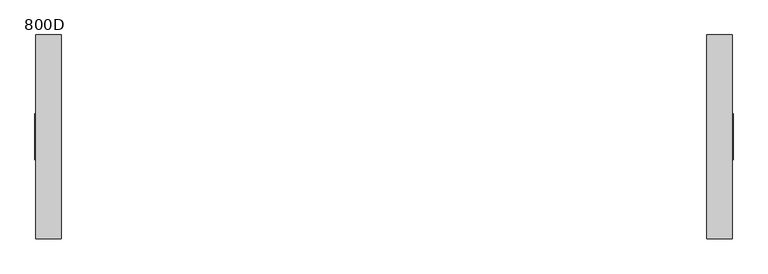
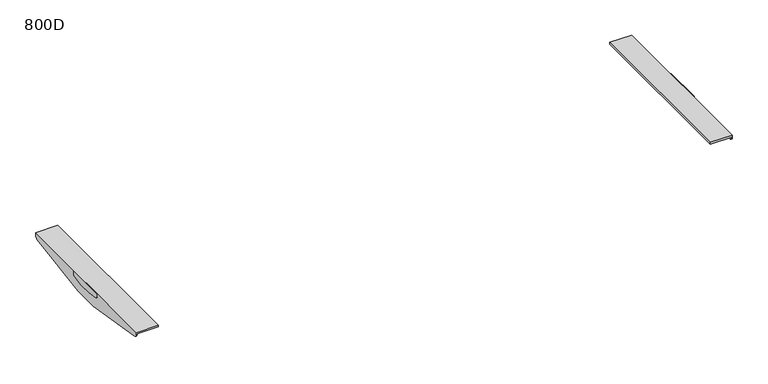
"""IFC4 building model written with IfcOpenShell, lengths in millimetres: furniture geometry, 800D."""

from ifc_helpers import new_model, si_unit, point, frame, frame_2d, origin, place, context, project, spatial, polyline, circle_curve, trimmed, segment, composite_curve, outline, extrude, source, transform, mapped, element, save
from ifc_brep_helpers import plane_surface, cylinder_surface, advanced_brep


def furniture_800d_4d03c76a(model_context):
    return source(origin(), model_context, "Body", "SolidModel", [
        advanced_brep(
        [(983.0000006, -287.4963324, 716.0), (910.0000017, -287.4963324, 716.0), (910.0000017, -287.4963324, 710.4999723), (980.0000009, -287.4963324, 710.4999723), (980.0000009, -287.4963324, 708.4998128), (983.0000006, -287.4963324, 708.4998128), (980.0000009, 287.5036993, 710.4999723), (910.0000017, 287.5036993, 710.4999723), (910.0000017, 287.5036993, 716.0), (983.0000006, 287.5036993, 716.0), (983.0000006, 287.5036993, 708.4997591), (980.0000009, 287.5036993, 708.4997591), (980.0000009, 279.1150126, 698.6304207), (980.0000009, 42.5041219, 660.0), (980.0000009, -42.4967459, 660.0), (980.0000009, -279.1076002, 698.6304207), (983.0000006, -279.1076002, 698.6304207), (983.0000006, -42.4967459, 660.0), (983.0000006, 42.5041219, 660.0), (983.0000006, 279.1150126, 698.6304207)],
        [
            (0, 1),
            (1, 2),
            (2, 3),
            (3, 4),
            (4, 5),
            (5, 0),
            (6, 7),
            (7, 8),
            (8, 9),
            (9, 10),
            (10, 11),
            (11, 6),
            (3, 6),
            (11, 12, circle_curve(frame((980.0000009, 277.503689, 708.4997591), z_axis=(-1.0, 0.0, 0.0), x_axis=(0.0, 1.0, 0.0)), 10.0000103)),
            (12, 13),
            (13, 14),
            (14, 15),
            (15, 4, circle_curve(frame((980.0000009, -277.4962677, 708.4998128), z_axis=(-1.0, 0.0, 0.0), x_axis=(0.0, 1.0, 0.0)), 10.0000647)),
            (2, 7),
            (1, 8),
            (0, 9),
            (5, 16, circle_curve(frame((983.0000006, -277.4962677, 708.4998128), z_axis=(1.0, 0.0, 0.0), x_axis=(0.0, 1.0, 0.0)), 10.0000647)),
            (16, 17),
            (17, 18),
            (18, 19),
            (19, 10, circle_curve(frame((983.0000006, 277.503689, 708.4997591), z_axis=(1.0, 0.0, 0.0), x_axis=(0.0, 1.0, 0.0)), 10.0000103)),
            (17, 14),
            (13, 18),
            (12, 19),
            (16, 15),
        ],
        [
            plane_surface(frame((983.0000006, -287.4963324, 660.0), z_axis=(0.0, -1.0, 0.0), x_axis=(1.0, 0.0, 0.0))),
            plane_surface(frame((983.0000006, 287.5036993, 660.0), z_axis=(0.0, 1.0, 0.0), x_axis=(-1.0, 0.0, 0.0))),
            plane_surface(frame((980.0000009, -287.4963324, 710.4999723), z_axis=(-1.0, 0.0, 0.0), x_axis=(0.0, 1.0, 0.0))),
            plane_surface(frame((910.0000017, -287.4963324, 710.4999723), z_axis=(0.0, 0.0, -1.0), x_axis=(0.0, 1.0, 0.0))),
            plane_surface(frame((910.0000017, -287.4963324, 716.0), z_axis=(-1.0, 0.0, 0.0), x_axis=(0.0, 1.0, 0.0))),
            plane_surface(frame((983.0000006, -287.4963324, 716.0), z_axis=(0.0, 0.0, 1.0), x_axis=(0.0, 1.0, 0.0))),
            plane_surface(frame((983.0000006, -287.4963324, 660.0), z_axis=(1.0, 0.0, 0.0), x_axis=(0.0, 1.0, 0.0))),
            plane_surface(frame((980.0000009, -287.4963324, 660.0), z_axis=(0.0, 0.0, -1.0), x_axis=(0.0, 1.0, 0.0))),
            plane_surface(frame((910.0000017, 42.5041219, 660.0), z_axis=(0.0, 0.16113218812194072, -0.9869328335560813), x_axis=(1.0, 0.0, 0.0))),
            cylinder_surface(frame((985.0, 277.503689, 708.4997591), z_axis=(1.0, 0.0, 0.0), x_axis=(0.0, 1.0, 0.0)), 10.0000103),
            plane_surface(frame((910.0000017, -279.1076002, 698.6304207), z_axis=(0.0, -0.16113221222328436, -0.9869328296211605), x_axis=(1.0, 0.0, 0.0))),
            cylinder_surface(frame((1200.0, -277.4962677, 708.4998128), z_axis=(1.0, 0.0, 0.0), x_axis=(0.0, 1.0, 0.0)), 10.0000647),
        ],
        [
            (0, [[1, 2, 3, 4, 5, 6]]),
            (1, [[7, 8, 9, 10, 11, 12]]),
            (2, [[13, -12, 14, 15, 16, 17, 18, -4]]),
            (3, [[-3, 19, -7, -13]]),
            (4, [[-2, 20, -8, -19]]),
            (5, [[-1, 21, -9, -20]]),
            (6, [[-21, -6, 22, 23, 24, 25, 26, -10]]),
            (7, [[-24, 27, -16, 28]]),
            (8, [[29, -25, -28, -15]]),
            (9, [[-29, -14, -11, -26]]),
            (10, [[30, -17, -27, -23]]),
            (11, [[-30, -22, -5, -18]]),
        ],
    ),
        extrude(outline(composite_curve([segment(polyline([(-64.9962871, 716.0), (65.0036994, 716.0), (65.0036994, 705.7477915)]), True, "CONTINUOUS"), segment(trimmed(circle_curve(frame_2d((60.0513722, 705.7477915)), 4.9523271), [point((65.0036994, 705.7477915))], [point((60.8052275, 700.8531775))], False, "CARTESIAN"), True, "CONTINUOUS"), segment(polyline([(60.8052275, 700.8531775), (22.2562903, 694.5405645), (-21.9956935, 694.5405645), (-60.8043191, 700.8134996)]), True, "CONTINUOUS"), segment(trimmed(circle_curve(frame_2d((-59.996269, 705.7477915)), 5.0000181), [point((-60.8043191, 700.8134996))], [point((-64.9962871, 705.7477915))], False, "CARTESIAN"), True, "CONTINUOUS"), segment(polyline([(-64.9962871, 705.7477915), (-64.9962871, 716.0)]), True, "CONTINUOUS")], self_intersect=False)), frame((983.0000006, 0.0, 0.0), z_axis=(1.0, 0.0, 0.0), x_axis=(0.0, 1.0, 0.0)), (0.0, 0.0, 1.0), 1.9999994),
        advanced_brep(
        [(-980.0000009, -287.4963324, 710.4999723), (-910.0000017, -287.4963324, 710.4999723), (-910.0000017, -287.4963324, 716.0), (-983.0000006, -287.4963324, 716.0), (-983.0000006, -287.4963324, 708.4998128), (-980.0000009, -287.4963324, 708.4998128), (-983.0000006, 287.5036993, 716.0), (-910.0000017, 287.5036993, 716.0), (-910.0000017, 287.5036993, 710.4999723), (-980.0000009, 287.5036993, 710.4999723), (-980.0000009, 287.5036993, 708.4997591), (-983.0000006, 287.5036993, 708.4997591), (-980.0000009, -279.1076002, 698.6304207), (-980.0000009, -42.4967459, 660.0), (-980.0000009, 42.5041219, 660.0), (-980.0000009, 279.1150126, 698.6304207), (-983.0000006, 279.1150126, 698.6304207), (-983.0000006, 42.5041219, 660.0), (-983.0000006, -42.4967459, 660.0), (-983.0000006, -279.1076002, 698.6304207)],
        [
            (0, 1),
            (1, 2),
            (2, 3),
            (3, 4),
            (4, 5),
            (5, 0),
            (6, 7),
            (7, 8),
            (8, 9),
            (9, 10),
            (10, 11),
            (11, 6),
            (9, 0),
            (5, 12, circle_curve(frame((-980.0000009, -277.4962677, 708.4998128), z_axis=(1.0, 0.0, 0.0), x_axis=(0.0, 1.0, 0.0)), 10.0000647)),
            (12, 13),
            (13, 14),
            (14, 15),
            (15, 10, circle_curve(frame((-980.0000009, 277.503689, 708.4997591), z_axis=(1.0, 0.0, 0.0), x_axis=(0.0, 1.0, 0.0)), 10.0000103)),
            (8, 1),
            (7, 2),
            (6, 3),
            (11, 16, circle_curve(frame((-983.0000006, 277.503689, 708.4997591), z_axis=(-1.0, 0.0, 0.0), x_axis=(0.0, 1.0, 0.0)), 10.0000103)),
            (16, 17),
            (17, 18),
            (18, 19),
            (19, 4, circle_curve(frame((-983.0000006, -277.4962677, 708.4998128), z_axis=(-1.0, 0.0, 0.0), x_axis=(0.0, 1.0, 0.0)), 10.0000647)),
            (13, 18),
            (17, 14),
            (16, 15),
            (12, 19),
        ],
        [
            plane_surface(frame((-980.0000009, -287.4963324, 660.0), z_axis=(0.0, -1.0, 0.0), x_axis=(0.0, 0.0, 1.0))),
            plane_surface(frame((-980.0000009, 287.5036993, 660.0), z_axis=(0.0, 1.0, 0.0), x_axis=(0.0, 0.0, -1.0))),
            plane_surface(frame((-980.0000009, -287.4963324, 660.0), z_axis=(1.0, 0.0, 0.0), x_axis=(0.0, 1.0, 0.0))),
            plane_surface(frame((-980.0000009, -287.4963324, 710.4999723), z_axis=(0.0, 0.0, -1.0), x_axis=(0.0, 1.0, 0.0))),
            plane_surface(frame((-910.0000017, -287.4963324, 710.4999723), z_axis=(1.0, 0.0, 0.0), x_axis=(0.0, 1.0, 0.0))),
            plane_surface(frame((-910.0000017, -287.4963324, 716.0), z_axis=(0.0, 0.0, 1.0), x_axis=(0.0, 1.0, 0.0))),
            plane_surface(frame((-983.0000006, -287.4963324, 716.0), z_axis=(-1.0, 0.0, 0.0), x_axis=(0.0, 1.0, 0.0))),
            plane_surface(frame((-983.0000006, -287.4963324, 660.0), z_axis=(0.0, 0.0, -1.0), x_axis=(0.0, 1.0, 0.0))),
            plane_surface(frame((-910.0000017, 279.1150126, 698.6304207), z_axis=(0.0, 0.16113218812194124, -0.9869328335560812), x_axis=(-1.0, 0.0, 0.0))),
            cylinder_surface(frame((-983.0000006, 277.503689, 708.4997591), z_axis=(-1.0, 0.0, 0.0), x_axis=(0.0, 1.0, 0.0)), 10.0000103),
            plane_surface(frame((-910.0000017, -42.4967459, 660.0), z_axis=(0.0, -0.16113221222328436, -0.9869328296211605), x_axis=(-1.0, 0.0, 0.0))),
            cylinder_surface(frame((0.0, -277.4962677, 708.4998128), z_axis=(-1.0, 0.0, 0.0), x_axis=(0.0, 1.0, 0.0)), 10.0000647),
        ],
        [
            (0, [[1, 2, 3, 4, 5, 6]]),
            (1, [[7, 8, 9, 10, 11, 12]]),
            (2, [[13, -6, 14, 15, 16, 17, 18, -10]]),
            (3, [[-1, -13, -9, 19]]),
            (4, [[-2, -19, -8, 20]]),
            (5, [[-3, -20, -7, 21]]),
            (6, [[-21, -12, 22, 23, 24, 25, 26, -4]]),
            (7, [[-16, 27, -24, 28]]),
            (8, [[29, -17, -28, -23]]),
            (9, [[-29, -22, -11, -18]]),
            (10, [[30, -25, -27, -15]]),
            (11, [[-30, -14, -5, -26]]),
        ],
    ),
        extrude(outline(composite_curve([segment(polyline([(-64.9962871, 716.0), (65.0036994, 716.0), (65.0036994, 705.7477915)]), True, "CONTINUOUS"), segment(trimmed(circle_curve(frame_2d((60.0513722, 705.7477915)), 4.9523271), [point((65.0036994, 705.7477915))], [point((60.8052275, 700.8531775))], False, "CARTESIAN"), True, "CONTINUOUS"), segment(polyline([(60.8052275, 700.8531775), (22.2562903, 694.5405645), (-21.9956935, 694.5405645), (-60.8043191, 700.8134996)]), True, "CONTINUOUS"), segment(trimmed(circle_curve(frame_2d((-59.996269, 705.7477915)), 5.0000181), [point((-60.8043191, 700.8134996))], [point((-64.9962871, 705.7477915))], False, "CARTESIAN"), True, "CONTINUOUS"), segment(polyline([(-64.9962871, 705.7477915), (-64.9962871, 716.0)]), True, "CONTINUOUS")], self_intersect=False)), frame((-985.0, 0.0, 0.0), z_axis=(1.0, 0.0, 0.0), x_axis=(0.0, 1.0, 0.0)), (0.0, 0.0, 1.0), 1.9999994),
    ])


if __name__ == "__main__":
    model = new_model("IFC4")
    model_context = context("Model", 3, world=origin())
    ifc_project = project(units=[si_unit("LENGTHUNIT", "METRE", prefix="MILLI")], contexts=[model_context])
    site = spatial("IfcSite", under=ifc_project)
    building = spatial("IfcBuilding", under=site)
    placement = place(None, origin())
    furniture_800d_shape = furniture_800d_4d03c76a(model_context)
    element("IfcFurniture", 1, ObjectType="800D", at=placement, inside=building, context=model_context, shape_type="MappedRepresentation", body=[
        mapped(furniture_800d_shape, transform((0.0, 0.0, 0.0), x_axis=(1.0, 0.0, 0.0), y_axis=(0.0, 1.0, 0.0), z_axis=(0.0, 0.0, 1.0))),
    ])
    save(model, "model.ifc")
